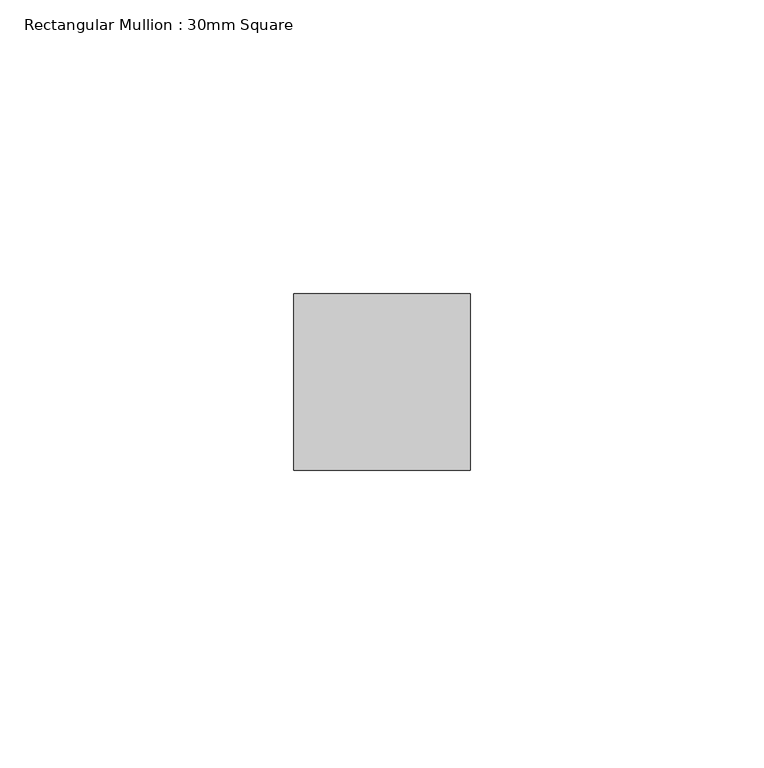
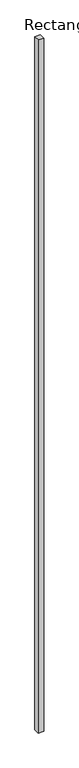
"""IFC4 building model written with IfcOpenShell, lengths in millimetres: member geometry, Rectangular Mullion : 30mm Square."""

from ifc_helpers import new_model, si_unit, frame, origin, place, context, project, spatial, polyline, outline, extrude, source, transform, mapped, element, save


def rectangular_mullion_30mm_square_3ec47859(model_context):
    return source(origin(), model_context, "Body", "SweptSolid", [
        extrude(outline(polyline([(15.0, 15.0), (15.0, -15.0), (-15.0, -15.0), (-15.0, 15.0), (15.0, 15.0)])), frame((0.0, 0.0, -3980.983904), z_axis=(0.0, 0.0, 1.0), x_axis=(1.0, 0.0, 0.0)), (0.0, 0.0, 1.0), 3980.983904),
    ])


if __name__ == "__main__":
    model = new_model("IFC4")
    model_context = context("Model", 3, world=origin())
    ifc_project = project(units=[si_unit("LENGTHUNIT", "METRE", prefix="MILLI")], contexts=[model_context])
    site = spatial("IfcSite", under=ifc_project)
    building = spatial("IfcBuilding", under=site)
    placement = place(None, origin())
    rectangular_mullion_30mm_square_shape = rectangular_mullion_30mm_square_3ec47859(model_context)
    element("IfcMember", 1, ObjectType="Rectangular Mullion : 30mm Square", at=placement, inside=building, context=model_context, shape_type="MappedRepresentation", body=[
        mapped(rectangular_mullion_30mm_square_shape, transform((0.0, 0.0, 0.0), x_axis=(1.0, 0.0, 0.0), y_axis=(0.0, 1.0, 0.0), z_axis=(0.0, 0.0, 1.0))),
    ])
    save(model, "model.ifc")
